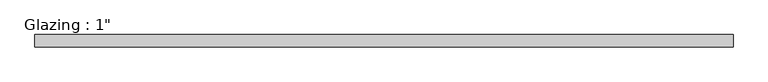
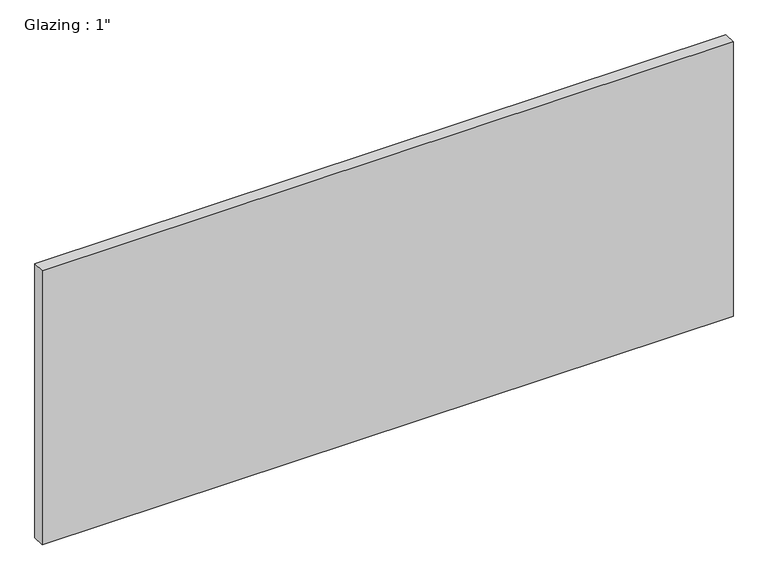
"""IFC4 building model written with IfcOpenShell, lengths in millimetres: plate geometry."""

from ifc_helpers import new_model, si_unit, origin, origin_with_axes, place, context, project, spatial, polyline, outline, extrude, source, transform, mapped, element, save


def plate_282ca589(model_context):
    return source(origin(), model_context, "Body", "SweptSolid", [
        extrude(outline(polyline([(710.5540109, -12.7), (-710.5540109, -12.7), (-710.5540109, 12.7), (710.5540109, 12.7), (710.5540109, -12.7)])), origin_with_axes(), (0.0, 0.0, 1.0), 595.8415157),
    ])


if __name__ == "__main__":
    model = new_model("IFC4")
    model_context = context("Model", 3, world=origin())
    ifc_project = project(units=[si_unit("LENGTHUNIT", "METRE", prefix="MILLI")], contexts=[model_context])
    site = spatial("IfcSite", under=ifc_project)
    building = spatial("IfcBuilding", under=site)
    placement = place(None, origin())
    plate_shape = plate_282ca589(model_context)
    element("IfcPlate", 1, ObjectType="Glazing : 1\"", at=placement, inside=building, context=model_context, shape_type="MappedRepresentation", body=[
        mapped(plate_shape, transform((0.0, 0.0, 0.0), x_axis=(1.0, 0.0, 0.0), y_axis=(0.0, 1.0, 0.0), z_axis=(0.0, 0.0, 1.0))),
    ])
    save(model, "model.ifc")
